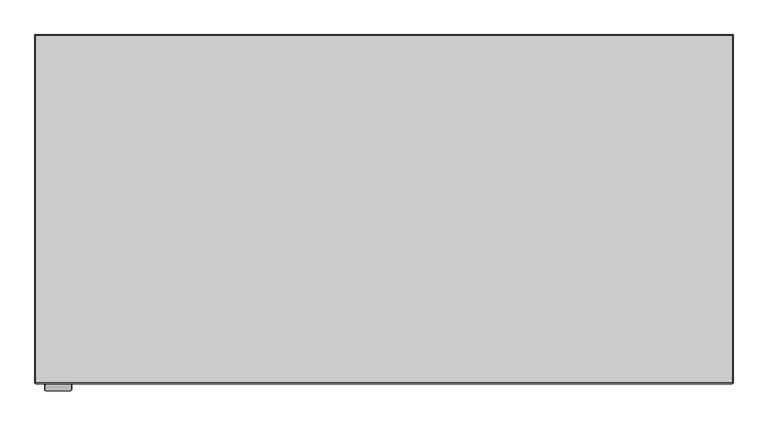
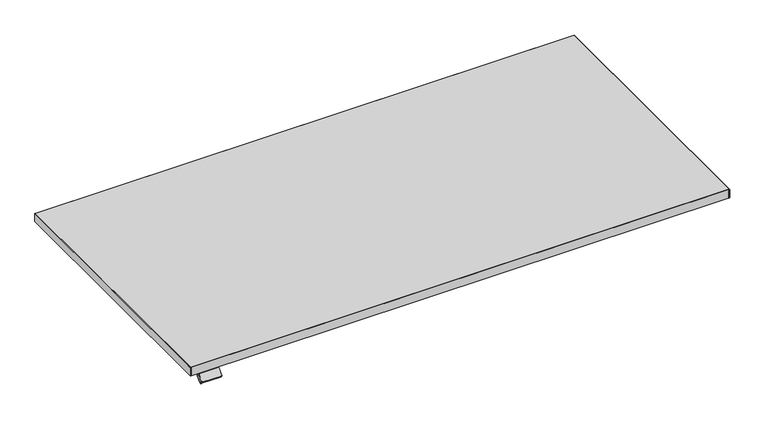
"""IFC4 building model written with IfcOpenShell, lengths in millimetres: furniture geometry."""

from ifc_helpers import new_model, si_unit, point, frame, frame_2d, origin, place, context, project, spatial, polyline, circle_curve, trimmed, segment, composite_curve, outline, extrude, faceted_brep, source, transform, mapped, element, save
from ifc_brep_helpers import plane_surface, cylinder_surface, advanced_brep


def furniture_fa698f6c(model_context):
    return source(origin(), model_context, "Body", "SolidModel", [
        advanced_brep(
        [(-712.1377438, -419.5454312, 698.9), (-712.1377438, -451.6, 698.9), (-662.6377614, -451.6, 698.9), (-662.6377614, -419.5454312, 698.9), (-662.6377614, -419.5454312, 691.1561454), (-662.6377614, -446.6161373, 691.1561454), (-712.1377438, -446.6161373, 691.1561454), (-712.1377438, -419.5454312, 691.1561454), (-662.6377614, -451.6, 695.3642703), (-662.6377614, -449.1527665, 697.8115038), (-662.6377614, -444.5567727, 693.21551), (-712.1377438, -451.6, 695.3642703), (-712.1377438, -444.5567727, 693.21551), (-712.1377438, -449.1527665, 697.8115038), (-661.1885979, -449.1527665, 697.8115038), (-713.486, -449.1527665, 697.8115038), (-715.518, -450.5896075, 696.3746628), (-715.518, -464.8280905, 682.1361797), (-713.486, -466.2649315, 680.6993388), (-661.5656329, -466.2649315, 680.6993388), (-659.3357614, -464.6881742, 682.2760961), (-659.3357614, -450.4629198, 696.5013505), (-713.486, -444.5567727, 693.21551), (-661.1885979, -444.5567727, 693.21551), (-659.3357614, -445.866926, 691.9053567), (-659.3357614, -460.0921804, 677.6801023), (-661.5656329, -461.6689377, 676.103345), (-713.486, -461.6689377, 676.103345), (-715.518, -460.2320967, 677.540186), (-715.518, -445.9936137, 691.778669)],
        [
            (0, 1),
            (1, 2),
            (2, 3),
            (3, 0),
            (4, 5),
            (5, 6),
            (6, 7),
            (7, 4),
            (3, 4),
            (7, 0),
            (2, 8),
            (8, 9),
            (9, 10),
            (10, 5),
            (1, 11),
            (11, 8),
            (6, 12),
            (12, 13),
            (13, 11),
            (14, 9),
            (13, 15),
            (15, 16, circle_curve(frame((-713.486, -450.5896075, 696.3746628), z_axis=(0.0, -0.7071067811865493, 0.7071067811865457), x_axis=(0.0, -0.7071067811865457, -0.7071067811865493)), 2.032)),
            (16, 17),
            (17, 18, circle_curve(frame((-713.486, -464.8280905, 682.1361797), z_axis=(0.0, -0.7071067811865493, 0.7071067811865457), x_axis=(0.0, -0.7071067811865457, -0.7071067811865493)), 2.032)),
            (18, 19),
            (19, 20, circle_curve(frame((-661.5656329, -464.6881742, 682.2760961), z_axis=(0.0, -0.7071067811865493, 0.7071067811865457), x_axis=(0.0, -0.7071067811865457, -0.7071067811865493)), 2.2298716)),
            (20, 21),
            (21, 14, circle_curve(frame((-661.1885979, -450.4629198, 696.5013505), z_axis=(0.0, -0.7071067811865493, 0.7071067811865457), x_axis=(0.0, -0.7071067811865457, -0.7071067811865493)), 1.8528366)),
            (22, 12),
            (10, 23),
            (23, 24, circle_curve(frame((-661.1885979, -445.866926, 691.9053567), z_axis=(0.0, 0.7071067811865493, -0.7071067811865457), x_axis=(0.0, -0.7071067811865457, -0.7071067811865493)), 1.8528366)),
            (24, 25),
            (25, 26, circle_curve(frame((-661.5656329, -460.0921804, 677.6801023), z_axis=(0.0, 0.7071067811865493, -0.7071067811865457), x_axis=(0.0, -0.7071067811865457, -0.7071067811865493)), 2.2298716)),
            (26, 27),
            (27, 28, circle_curve(frame((-713.486, -460.2320967, 677.540186), z_axis=(0.0, 0.7071067811865493, -0.7071067811865457), x_axis=(0.0, -0.7071067811865457, -0.7071067811865493)), 2.032)),
            (28, 29),
            (29, 22, circle_curve(frame((-713.486, -445.9936137, 691.778669), z_axis=(0.0, 0.7071067811865493, -0.7071067811865457), x_axis=(0.0, -0.7071067811865457, -0.7071067811865493)), 2.032)),
            (22, 15),
            (14, 23),
            (21, 24),
            (20, 25),
            (19, 26),
            (18, 27),
            (17, 28),
            (16, 29),
        ],
        [
            plane_surface(frame((-662.6377614, -419.5454312, 698.9), z_axis=(0.0, 0.0, 1.0), x_axis=(1.0, 0.0, 0.0))),
            plane_surface(frame((-662.6377614, -419.5454312, 691.1561454), z_axis=(0.0, 0.0, -1.0), x_axis=(-1.0, 0.0, 0.0))),
            plane_surface(frame((-712.1377438, -419.5454312, 698.9), z_axis=(0.0, 1.0, 0.0), x_axis=(0.0, 0.0, -1.0))),
            plane_surface(frame((-662.6377614, -419.5454312, 698.9), z_axis=(1.0, 0.0, 0.0), x_axis=(0.0, 0.0, -1.0))),
            plane_surface(frame((-662.6377614, -451.6, 698.9), z_axis=(0.0, -1.0, 0.0), x_axis=(0.0, 0.0, -1.0))),
            plane_surface(frame((-712.1377438, -451.6, 698.9), z_axis=(-1.0, 0.0, 0.0), x_axis=(0.0, 0.0, -1.0))),
            plane_surface(frame((-661.1885979, -449.1527665, 697.8115038), z_axis=(0.0, -0.7071067811865493, 0.7071067811865457), x_axis=(1.0, 0.0, 0.0))),
            plane_surface(frame((-661.1885979, -444.5567727, 693.21551), z_axis=(0.0, 0.7071067811865493, -0.7071067811865457), x_axis=(-1.0, 0.0, 0.0))),
            plane_surface(frame((-713.486, -449.1527665, 697.8115038), z_axis=(0.0, 0.7071067811865476, 0.7071067811865476), x_axis=(0.0, 0.7071067811865476, -0.7071067811865476))),
            cylinder_surface(frame((-661.1885979, -445.866926, 691.9053567), z_axis=(0.0, -0.7071067811865493, 0.7071067811865457), x_axis=(0.0, -0.7071067811865457, -0.7071067811865493)), 1.8528366),
            plane_surface(frame((-659.3357614, -450.4629198, 696.5013505), z_axis=(1.0000000000000002, 0.0, 0.0), x_axis=(0.0, 0.7071067811865476, -0.7071067811865476))),
            cylinder_surface(frame((-661.5656329, -460.0921804, 677.6801023), z_axis=(0.0, -0.7071067811865493, 0.7071067811865457), x_axis=(0.0, -0.7071067811865457, -0.7071067811865493)), 2.2298716),
            plane_surface(frame((-661.5656329, -466.2649315, 680.6993388), z_axis=(0.0, -0.7071067811865476, -0.7071067811865476), x_axis=(0.0, 0.7071067811865476, -0.7071067811865476))),
            cylinder_surface(frame((-713.486, -460.2320967, 677.540186), z_axis=(0.0, -0.7071067811865493, 0.7071067811865457), x_axis=(0.0, -0.7071067811865457, -0.7071067811865493)), 2.032),
            plane_surface(frame((-715.518, -464.8280905, 682.1361797), z_axis=(-1.0, 0.0, 0.0), x_axis=(0.0, 0.7071067811865527, -0.7071067811865424))),
            cylinder_surface(frame((-713.486, -445.9936137, 691.778669), z_axis=(0.0, -0.7071067811865493, 0.7071067811865457), x_axis=(0.0, -0.7071067811865457, -0.7071067811865493)), 2.032),
        ],
        [
            (0, [[1, 2, 3, 4]]),
            (1, [[5, 6, 7, 8]]),
            (2, [[9, -8, 10, -4]]),
            (3, [[11, 12, 13, 14, -5, -9, -3]]),
            (4, [[15, 16, -11, -2]]),
            (5, [[-10, -7, 17, 18, 19, -15, -1]]),
            (6, [[20, -12, -16, -19, 21, 22, 23, 24, 25, 26, 27, 28]]),
            (7, [[29, -17, -6, -14, 30, 31, 32, 33, 34, 35, 36, 37]]),
            (8, [[-21, -18, -29, 38]]),
            (8, [[-30, -13, -20, 39]]),
            (9, [[40, -31, -39, -28]]),
            (10, [[41, -32, -40, -27]]),
            (11, [[42, -33, -41, -26]]),
            (12, [[43, -34, -42, -25]]),
            (13, [[44, -35, -43, -24]]),
            (14, [[45, -36, -44, -23]]),
            (15, [[-38, -37, -45, -22]]),
        ],
    ),
        extrude(outline(composite_curve([segment(polyline([(48.6765212, 0.0), (0.0, 0.0)]), True, "CONTINUOUS"), segment(trimmed(circle_curve(frame_2d((0.0, 2.8504615)), 2.8504615), [point((0.0, 0.0))], [point((-2.8504616, 2.8504615))], False, "CARTESIAN"), True, "CONTINUOUS"), segment(polyline([(-2.8504616, 2.8504615), (-2.8504616, 19.0283589)]), True, "CONTINUOUS"), segment(trimmed(circle_curve(frame_2d((-0.0003332, 19.0283589)), 2.8501284), [point((-2.8504616, 19.0283589))], [point((-0.0003332, 21.8784873))], False, "CARTESIAN"), True, "CONTINUOUS"), segment(polyline([(-0.0003332, 21.8784873), (48.7382411, 21.8784873)]), True, "CONTINUOUS"), segment(trimmed(circle_curve(frame_2d((48.7382411, 18.8922072)), 2.9862801), [point((48.7382411, 21.8784873))], [point((51.7245212, 18.8922072))], False, "CARTESIAN"), True, "CONTINUOUS"), segment(polyline([(51.7245212, 18.8922072), (51.7245212, 3.048)]), True, "CONTINUOUS"), segment(trimmed(circle_curve(frame_2d((48.6765212, 3.048)), 3.048), [point((51.7245212, 3.048))], [point((48.6765212, 0.0))], False, "CARTESIAN"), True, "CONTINUOUS")], self_intersect=False)), frame((-662.8979479, -443.782049, 690.7917033), z_axis=(0.0, -0.7071067811865493, 0.7071067811865457), x_axis=(-1.0, 0.0, 0.0)), (0.0, 0.0, 1.0), 11.2615577),
        extrude(outline(polyline([(-735.8379612, -450.0014375), (735.837937, -450.0014375), (734.2393744, -451.6), (-734.2393744, -451.6), (-735.8379612, -450.0014375)])), frame((0.0, 0.0, 698.9), z_axis=(0.0, 0.0, 1.0), x_axis=(1.0, 0.0, 0.0)), (0.0, 0.0, 1.0), 25.0),
        faceted_brep([(734.2395821, -451.5997924, 698.9), (734.7783794, -452.1386142, 699.6619919), (734.7783794, -452.1386142, 723.1380081), (734.2395821, -451.5997924, 723.9), (736.5996132, -450.3174632, 723.1380081), (736.5996132, -450.3174632, 699.6619919), (736.5996132, 285.0003864, 699.6619919), (736.5996132, 285.0003864, 723.1380081), (735.8376214, -450.0018257, 698.9), (735.8376214, -450.0018257, 723.9), (735.8376214, 284.2383946, 723.9), (735.8376214, 284.2383946, 698.9), (-736.6, 285.0003864, 699.6619919), (-736.6, 285.0003864, 723.1380081), (-735.8380081, 284.2383946, 723.9), (-735.8380081, 284.2383946, 698.9), (-734.2395821, -451.5997924, 698.9), (-734.2395821, -451.5997924, 723.9), (-734.7783876, -452.138606, 723.1380081), (-734.7783876, -452.138606, 699.6619919), (-736.6, -450.3170212, 699.6619919), (-736.6, -450.3170212, 723.1380081), (-735.8380081, -450.0013905, 723.9), (-735.8380081, -450.0013905, 698.9)], [[[0, 1, 2, 3]], [[4, 5, 6, 7]], [[8, 9, 10, 11]], [[7, 6, 12, 13]], [[11, 10, 14, 15]], [[16, 17, 18, 19]], [[13, 12, 20, 21]], [[15, 14, 22, 23]], [[5, 8, 11, 6]], [[9, 4, 7, 10]], [[6, 11, 15, 12]], [[10, 7, 13, 14]], [[12, 15, 23, 20]], [[14, 13, 21, 22]], [[1, 0, 8, 5]], [[2, 1, 5, 4]], [[3, 2, 4, 9]], [[0, 3, 9, 8]], [[20, 23, 16, 19]], [[21, 20, 19, 18]], [[22, 21, 18, 17]], [[23, 22, 17, 16]]]),
        extrude(outline(polyline([(735.8376214, 284.2383946), (735.8376214, -450.0014375), (-735.8380081, -450.0014375), (-735.8380081, 284.2383946), (735.8376214, 284.2383946)])), frame((0.0, 0.0, 698.9), z_axis=(0.0, 0.0, 1.0), x_axis=(1.0, 0.0, 0.0)), (0.0, 0.0, 1.0), 25.0),
    ])


if __name__ == "__main__":
    model = new_model("IFC4")
    model_context = context("Model", 3, world=origin())
    ifc_project = project(units=[si_unit("LENGTHUNIT", "METRE", prefix="MILLI")], contexts=[model_context])
    site = spatial("IfcSite", under=ifc_project)
    building = spatial("IfcBuilding", under=site)
    placement = place(None, origin())
    furniture_shape = furniture_fa698f6c(model_context)
    element("IfcFurniture", 1, at=placement, inside=building, context=model_context, shape_type="MappedRepresentation", body=[
        mapped(furniture_shape, transform((0.0, 0.0, 0.0), x_axis=(1.0, 0.0, 0.0), y_axis=(0.0, 1.0, 0.0), z_axis=(0.0, 0.0, 1.0))),
    ])
    save(model, "model.ifc")
